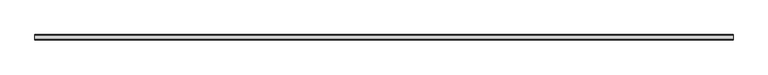
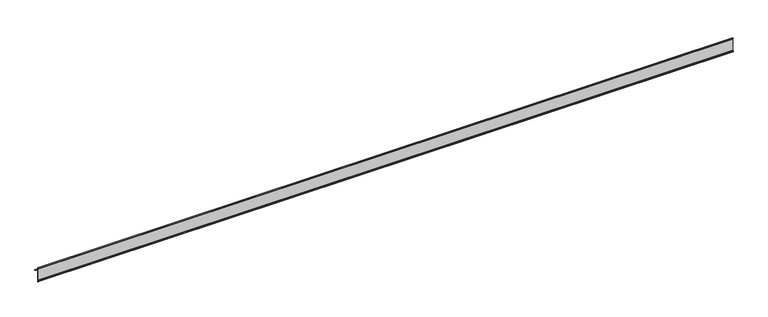
"""IFC4 building model written with IfcOpenShell, lengths in millimetres: proxy geometry."""

from ifc_helpers import new_model, si_unit, point, frame, frame_2d, origin, place, context, project, spatial, polyline, circle_curve, trimmed, segment, composite_curve, outline, extrude, source, transform, mapped, element, save


def generic_models_6b515980(model_context):
    return source(origin(), model_context, "Body", "SweptSolid", [
        extrude(outline(composite_curve([segment(trimmed(circle_curve(frame_2d((-18459.9177407, 306.479592)), 0.8), [point((-18459.7201032, 307.2547949))], [point((-18460.5363897, 305.9723707))], False, "CARTESIAN"), True, "CONTINUOUS"), segment(trimmed(circle_curve(frame_2d((-18441.4534375, 342.063431)), 40.8255275), [point((-18460.5363897, 305.9723707))], [point((-18474.8538594, 318.5871555))], False, "CARTESIAN"), True, "CONTINUOUS"), segment(polyline([(-18474.8538594, 318.5871555), (-18474.8538594, 274.6864927)]), True, "CONTINUOUS"), segment(trimmed(circle_curve(frame_2d((-18476.1038594, 274.6864927)), 1.25), [point((-18474.8538594, 274.6864927))], [point((-18477.3538594, 274.6864927))], False, "CARTESIAN"), True, "CONTINUOUS"), segment(polyline([(-18477.3538594, 274.6864927), (-18477.3538594, 276.6364927), (-18476.3538594, 278.5577822), (-18476.3538594, 318.3272025), (-18476.0383913, 320.4028832)]), True, "CONTINUOUS"), segment(trimmed(circle_curve(frame_2d((-18456.5452723, 336.9379084)), 25.56147), [point((-18476.0383913, 320.4028832))], [point((-18477.3538594, 322.0923215))], False, "CARTESIAN"), True, "CONTINUOUS"), segment(polyline([(-18477.3538594, 322.0923215), (-18476.0038579, 323.5916501)]), True, "CONTINUOUS"), segment(trimmed(circle_curve(frame_2d((-18444.0851435, 339.1227764)), 35.4967634), [point((-18476.0038579, 323.5916501))], [point((-18459.7201032, 307.2547949))], True, "CARTESIAN"), True, "CONTINUOUS")], self_intersect=False)), frame((-5295.3690716, 0.0, 0.0), z_axis=(1.0, 0.0, 0.0), x_axis=(0.0, 1.0, 0.0)), (0.0, 0.0, 1.0), 2400.0),
    ])


if __name__ == "__main__":
    model = new_model("IFC4")
    model_context = context("Model", 3, world=origin())
    ifc_project = project(units=[si_unit("LENGTHUNIT", "METRE", prefix="MILLI")], contexts=[model_context])
    site = spatial("IfcSite", under=ifc_project)
    building = spatial("IfcBuilding", under=site)
    placement = place(None, origin())
    generic_models_shape = generic_models_6b515980(model_context)
    element("IfcBuildingElementProxy", 1, Name="Generic Models", at=placement, inside=building, context=model_context, shape_type="MappedRepresentation", body=[
        mapped(generic_models_shape, transform((0.0, 0.0, 0.0), x_axis=(1.0, 0.0, 0.0), y_axis=(0.0, 1.0, 0.0), z_axis=(0.0, 0.0, 1.0))),
    ])
    save(model, "model.ifc")
